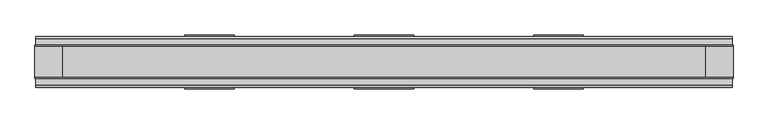
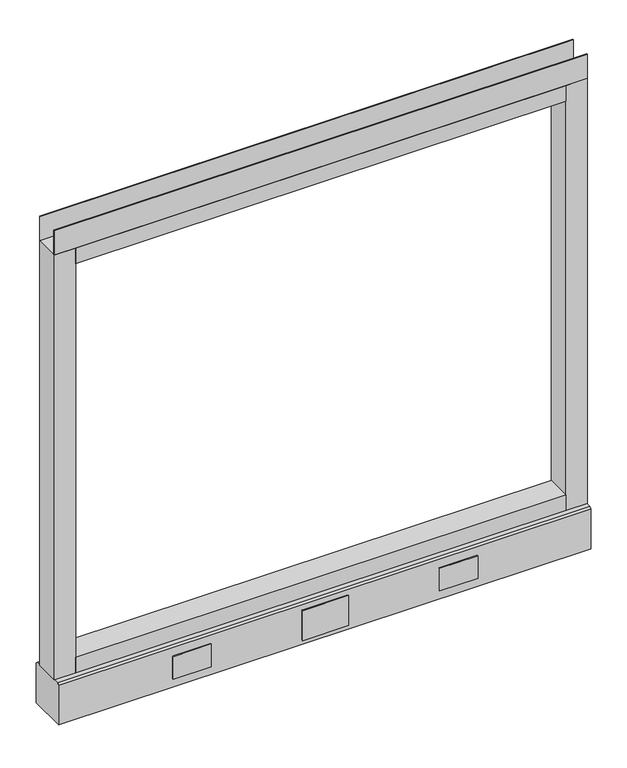
"""IFC4 building model written with IfcOpenShell, lengths in millimetres: furniture geometry."""

from ifc_helpers import new_model, si_unit, point, frame, frame_2d, origin, place, context, project, spatial, polyline, circle_curve, trimmed, segment, composite_curve, outline, extrude, source, transform, mapped, element, save
from ifc_brep_helpers import plane_surface, revolved_surface, advanced_brep


def furniture_b40a9909(model_context):
    return source(origin(), model_context, "Body", "SolidModel", [
        advanced_brep(
        [(463.55, 0.0, 6.35), (488.95, 0.0, 6.35), (457.2, 0.0, 0.0), (495.3, 0.0, 0.0)],
        [
            (0, 1, circle_curve(frame((476.25, 0.0, 6.35), z_axis=(-3.04822833645449e-12, 0.0, 1.0), x_axis=(-1.0, 0.0, -3.0481774992714863e-12)), 12.7)),
            (1, 0, circle_curve(frame((476.25, 0.0, 6.35), z_axis=(-3.04822833645449e-12, 0.0, 1.0), x_axis=(1.0, 0.0, 3.0481774992807776e-12)), 12.7)),
            (2, 3, circle_curve(frame((476.25, 0.0, 0.0), z_axis=(3.04822833645449e-12, 0.0, -1.0), x_axis=(1.0, 0.0, 3.0481774992807776e-12)), 19.05)),
            (3, 2, circle_curve(frame((476.25, 0.0, 0.0), z_axis=(3.04822833645449e-12, 0.0, -1.0), x_axis=(-1.0, 0.0, -3.0481774992714863e-12)), 19.05)),
            (3, 1),
            (0, 2),
        ],
        [
            plane_surface(frame((476.25, 0.0, 6.35), z_axis=(0.0, 0.0, 1.0), x_axis=(0.0, -1.0, 0.0))),
            plane_surface(frame((476.25, 0.0, 0.0), z_axis=(0.0, 0.0, -1.0), x_axis=(0.0, -1.0, 0.0))),
            revolved_surface(polyline([(463.55, 0.0, 6.35), (457.19999999988386, 0.0, -1.1613821015998838e-10)]), (476.25, 0.0, 19.05), (3.04822833645449e-12, 0.0, -1.0)),
            revolved_surface(polyline([(488.94999999992257, 0.0, 6.350000000077424), (495.3, 0.0, 0.0)]), (476.25, 0.0, 19.05), (3.04822833645449e-12, 0.0, -1.0)),
        ],
        [
            (0, [[1, 2]]),
            (1, [[3, 4]]),
            (2, [[-4, 5, -1, 6]]),
            (3, [[-3, -6, -2, -5]]),
        ],
    ),
        advanced_brep(
        [(-488.95, 0.0, 6.35), (-463.55, 0.0, 6.35), (-495.3, 0.0, 0.0), (-457.2, 0.0, 0.0)],
        [
            (0, 1, circle_curve(frame((-476.25, 0.0, 6.35), z_axis=(1.065814103655416e-12, 0.0, 1.0), x_axis=(-1.0, 0.0, 1.065778760947478e-12)), 12.7)),
            (1, 0, circle_curve(frame((-476.25, 0.0, 6.35), z_axis=(1.065814103655416e-12, 0.0, 1.0), x_axis=(1.0, 0.0, -1.0657787609463422e-12)), 12.7)),
            (2, 3, circle_curve(frame((-476.25, 0.0, 0.0), z_axis=(-1.065814103655416e-12, 0.0, -1.0), x_axis=(1.0, 0.0, -1.0657787609463422e-12)), 19.05)),
            (3, 2, circle_curve(frame((-476.25, 0.0, 0.0), z_axis=(-1.065814103655416e-12, 0.0, -1.0), x_axis=(-1.0, 0.0, 1.065778760947478e-12)), 19.05)),
            (3, 1),
            (0, 2),
        ],
        [
            plane_surface(frame((-476.25, 0.0, 6.35), z_axis=(0.0, 0.0, 1.0), x_axis=(0.0, -1.0, 0.0))),
            plane_surface(frame((-476.25, 0.0, 0.0), z_axis=(0.0, 0.0, -1.0), x_axis=(0.0, -1.0, 0.0))),
            revolved_surface(polyline([(-488.94999999997293, 0.0, 6.350000000027071), (-495.3, 0.0, 0.0)]), (-476.25, 0.0, 19.05), (-1.065814103655416e-12, 0.0, -1.0)),
            revolved_surface(polyline([(-463.55, 0.0, 6.35), (-457.1999999999594, 0.0, -4.0607517348689726e-11)]), (-476.25, 0.0, 19.05), (-1.065814103655416e-12, 0.0, -1.0)),
        ],
        [
            (0, [[1, 2]]),
            (1, [[3, 4]]),
            (2, [[-4, 5, -1, 6]]),
            (3, [[-3, -6, -2, -5]]),
        ],
    ),
        extrude(outline(polyline([(533.4, -23.8125), (533.4, -25.4), (-533.4, -25.4), (-533.4, -23.8125), (533.4, -23.8125)])), frame((0.0, 0.0, 1000.633), z_axis=(0.0, 0.0, 1.0), x_axis=(1.0, 0.0, 0.0)), (0.0, 0.0, 1.0), 51.435),
        extrude(outline(polyline([(533.4, 25.4), (533.4, 23.8125), (-533.4, 23.8125), (-533.4, 25.4), (533.4, 25.4)])), frame((0.0, 0.0, 1000.633), z_axis=(0.0, 0.0, 1.0), x_axis=(1.0, 0.0, 0.0)), (0.0, 0.0, 1.0), 51.435),
        extrude(outline(polyline([(490.5375, -25.4), (-490.5375, -25.4), (-490.5375, 25.4), (490.5375, 25.4), (490.5375, -25.4)])), frame((0.0, 0.0, 967.74), z_axis=(0.0, 0.0, 1.0), x_axis=(1.0, 0.0, 0.0)), (0.0, 0.0, 1.0), 32.893),
        extrude(outline(polyline([(490.5375, -25.4), (-490.5375, -25.4), (-490.5375, 25.4), (490.5375, 25.4), (490.5375, -25.4)])), frame((0.0, 0.0, 101.6), z_axis=(0.0, 0.0, 1.0), x_axis=(1.0, 0.0, 0.0)), (0.0, 0.0, 1.0), 32.893),
        extrude(outline(composite_curve([segment(trimmed(circle_curve(frame_2d((-476.25, 0.0)), 5.55625), [point((-481.80625, 0.0))], [point((-470.69375, 0.0))], False, "CARTESIAN"), True, "CONTINUOUS"), segment(trimmed(circle_curve(frame_2d((-476.25, 0.0)), 5.55625), [point((-470.69375, 0.0))], [point((-481.80625, 0.0))], False, "CARTESIAN"), True, "CONTINUOUS")], self_intersect=False)), frame((0.0, 0.0, 6.35), z_axis=(0.0, 0.0, 1.0), x_axis=(1.0, 0.0, 0.0)), (0.0, 0.0, 1.0), 7.9375),
        extrude(outline(composite_curve([segment(trimmed(circle_curve(frame_2d((476.25, 0.0)), 5.55625), [point((470.69375, 0.0))], [point((481.80625, 0.0))], False, "CARTESIAN"), True, "CONTINUOUS"), segment(trimmed(circle_curve(frame_2d((476.25, 0.0)), 5.55625), [point((481.80625, 0.0))], [point((470.69375, 0.0))], False, "CARTESIAN"), True, "CONTINUOUS")], self_intersect=False)), frame((0.0, 0.0, 6.35), z_axis=(0.0, 0.0, 1.0), x_axis=(1.0, 0.0, 0.0)), (0.0, 0.0, 1.0), 7.9375),
        extrude(outline(polyline([(-490.5375, -25.4), (-533.4, -25.4), (-533.4, 25.4), (-490.5375, 25.4), (-490.5375, -25.4)])), frame((0.0, 0.0, 101.6), z_axis=(0.0, 0.0, 1.0), x_axis=(1.0, 0.0, 0.0)), (0.0, 0.0, 1.0), 899.033),
        extrude(outline(polyline([(533.4, -25.4), (490.5375, -25.4), (490.5375, 25.4), (533.4, 25.4), (533.4, -25.4)])), frame((0.0, 0.0, 101.6), z_axis=(0.0, 0.0, 1.0), x_axis=(1.0, 0.0, 0.0)), (0.0, 0.0, 1.0), 899.033),
        extrude(outline(polyline([(-35.9171875, 101.6), (35.9171875, 101.6), (39.0921875, 98.425), (39.0921875, 14.2875), (-39.0921875, 14.2875), (-39.0921875, 98.425), (-35.9171875, 101.6)])), frame((-532.257, 0.0, 0.0), z_axis=(1.0, 0.0, 0.0), x_axis=(0.0, 1.0, 0.0)), (0.0, 0.0, 1.0), 1064.5140102),
        extrude(outline(polyline([(304.8, 39.0921875), (228.6, 39.0921875), (228.6, 41.4020035), (304.8, 41.4020035), (304.8, 39.0921875)])), frame((0.0, 0.0, 32.512), z_axis=(0.0, 0.0, 1.0), x_axis=(1.0, 0.0, 0.0)), (0.0, 0.0, 1.0), 48.26),
        extrude(outline(polyline([(45.7708, 39.0921875), (-45.7708, 39.0921875), (-45.7708, 41.4020035), (45.7708, 41.4020035), (45.7708, 39.0921875)])), frame((0.0, 0.0, 23.8125), z_axis=(0.0, 0.0, 1.0), x_axis=(1.0, 0.0, 0.0)), (0.0, 0.0, 1.0), 63.5),
        extrude(outline(polyline([(-228.6, 39.0921875), (-304.8, 39.0921875), (-304.8, 41.4020035), (-228.6, 41.4020035), (-228.6, 39.0921875)])), frame((0.0, 0.0, 32.512), z_axis=(0.0, 0.0, 1.0), x_axis=(1.0, 0.0, 0.0)), (0.0, 0.0, 1.0), 48.26),
        extrude(outline(polyline([(304.8, -41.4019923), (228.6, -41.4019923), (228.6, -39.0921875), (304.8, -39.0921875), (304.8, -41.4019923)])), frame((0.0, 0.0, 32.512), z_axis=(0.0, 0.0, 1.0), x_axis=(1.0, 0.0, 0.0)), (0.0, 0.0, 1.0), 48.26),
        extrude(outline(polyline([(-228.6, -41.4019923), (-304.8, -41.4019923), (-304.8, -39.0921875), (-228.6, -39.0921875), (-228.6, -41.4019923)])), frame((0.0, 0.0, 32.512), z_axis=(0.0, 0.0, 1.0), x_axis=(1.0, 0.0, 0.0)), (0.0, 0.0, 1.0), 48.26),
        extrude(outline(polyline([(45.7708, -41.4019923), (-45.7708, -41.4019923), (-45.7708, -39.0921875), (45.7708, -39.0921875), (45.7708, -41.4019923)])), frame((0.0, 0.0, 23.8125), z_axis=(0.0, 0.0, 1.0), x_axis=(1.0, 0.0, 0.0)), (0.0, 0.0, 1.0), 63.5),
    ])


if __name__ == "__main__":
    model = new_model("IFC4")
    model_context = context("Model", 3, world=origin())
    ifc_project = project(units=[si_unit("LENGTHUNIT", "METRE", prefix="MILLI")], contexts=[model_context])
    site = spatial("IfcSite", under=ifc_project)
    building = spatial("IfcBuilding", under=site)
    placement = place(None, origin())
    furniture_shape = furniture_b40a9909(model_context)
    element("IfcFurniture", 1, at=placement, inside=building, context=model_context, shape_type="MappedRepresentation", body=[
        mapped(furniture_shape, transform((0.0, 0.0, 0.0), x_axis=(1.0, 0.0, 0.0), y_axis=(0.0, 1.0, 0.0), z_axis=(0.0, 0.0, 1.0))),
    ])
    save(model, "model.ifc")
